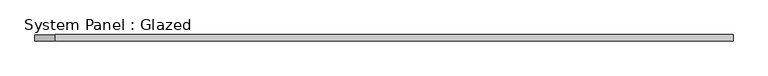
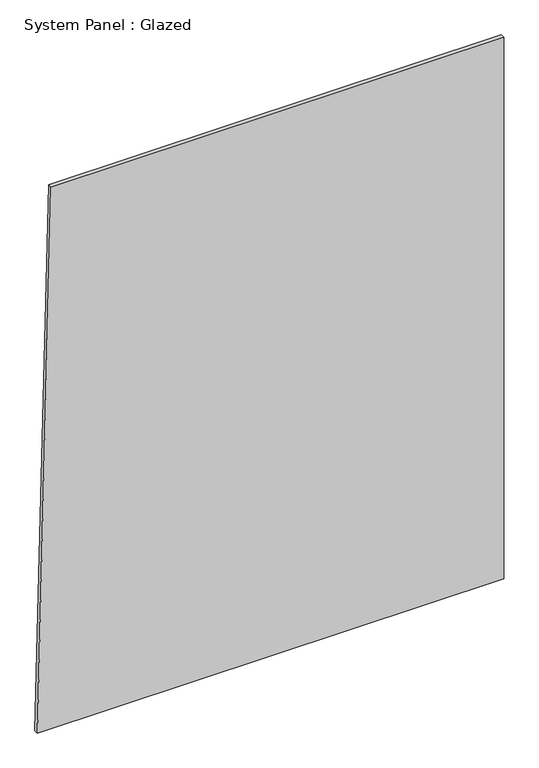
"""IFC4 building model written with IfcOpenShell, lengths in millimetres: plate geometry, System Panel : Glazed."""

from ifc_helpers import new_model, si_unit, frame, origin, place, context, project, spatial, polyline, outline, extrude, source, transform, mapped, element, save


def system_panel_glazed_96688b82(model_context):
    return source(origin(), model_context, "Body", "SweptSolid", [
        extrude(outline(polyline([(0.0, -1362.0456018), (0.0, 1362.0456018), (3342.1587785, 1362.0456018), (3342.1587785, -1282.5799217), (0.0, -1362.0456018)])), frame((0.0, -49.5, 0.0), z_axis=(0.0, 1.0, 0.0), x_axis=(0.0, 0.0, 1.0)), (0.0, 0.0, 1.0), 25.0),
    ])


if __name__ == "__main__":
    model = new_model("IFC4")
    model_context = context("Model", 3, world=origin())
    ifc_project = project(units=[si_unit("LENGTHUNIT", "METRE", prefix="MILLI")], contexts=[model_context])
    site = spatial("IfcSite", under=ifc_project)
    building = spatial("IfcBuilding", under=site)
    placement = place(None, origin())
    system_panel_glazed_shape = system_panel_glazed_96688b82(model_context)
    element("IfcPlate", 1, ObjectType="System Panel : Glazed", at=placement, inside=building, context=model_context, shape_type="MappedRepresentation", body=[
        mapped(system_panel_glazed_shape, transform((0.0, 0.0, 0.0), x_axis=(1.0, 0.0, 0.0), y_axis=(0.0, 1.0, 0.0), z_axis=(0.0, 0.0, 1.0))),
    ])
    save(model, "model.ifc")
